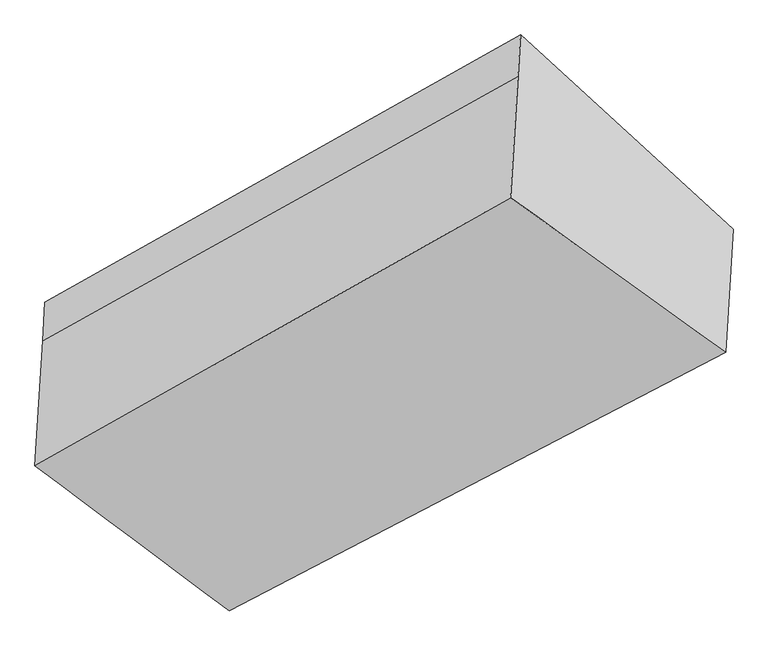
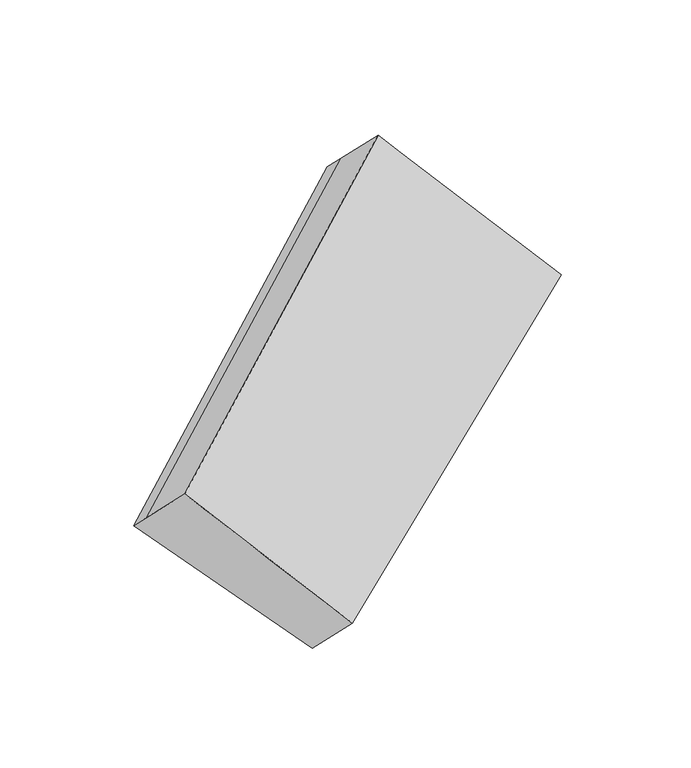
"""IFC4 building model written with IfcOpenShell, lengths in millimetres: proxy geometry."""

from ifc_helpers import new_model, si_unit, frame, origin, place, context, project, spatial, source, transform, mapped, element, save
from ifc_brep_helpers import plane_surface, spline_surface, advanced_brep


def generic_models_2e898269(model_context):
    return source(origin(), model_context, "Body", "AdvancedBrep", [
        advanced_brep(
        [(-3741.4421497, -1508.090219, 1551.9412629), (-3748.0620332, -1615.8654416, 1656.0598421), (-2419.9457895, -877.2034311, 2504.4686291), (-2412.8845805, -762.2431936, 2393.4088113), (-3204.4533092, -2009.263283, 1067.3088814), (-1819.4776571, -1305.0983551, 1869.2175324), (-3226.6466485, -2370.5826464, 1416.3692485), (-1840.6120375, -1649.1773062, 2201.622427), (-3769.557256, -1965.8190972, 1994.1401218), (-2440.7922666, -1216.5951621, 2832.3453337)],
        [
            (0, 1),
            (1, 2),
            (2, 3),
            (3, 0),
            (4, 0),
            (0, 5),
            (5, 4),
            (6, 4),
            (5, 7),
            (7, 6),
            (8, 6),
            (7, 9),
            (9, 8),
            (1, 8),
            (9, 2),
            (5, 3),
        ],
        [
            plane_surface(frame((-3744.7520914, -1561.9778303, 1604.0005525), z_axis=(-0.6448211475002281, 0.5511773404095873, 0.5295368043446113), x_axis=(-0.04413255648290255, -0.7185014840551847, 0.6941238613308008))),
            plane_surface(frame((-3472.9477294, -1758.676751, 1309.6250722), z_axis=(0.0394076899468539, 0.7161041934745317, -0.6968800600255708), x_axis=(-0.6102145914698849, 0.5695148454451125, 0.5507186152427309))),
            plane_surface(frame((-3215.5499788, -2189.9229647, 1241.839065), z_axis=(0.6090947329029084, -0.5700792150574997, -0.5513740063780302), x_axis=(0.044132556482925994, 0.7185014840551962, -0.6941238613307874))),
            spline_surface(1, 1, [[(-3769.557256, -1965.8190972, 1994.1401218), (-2440.7922666, -1216.5951621, 2832.3453337)], [(-3226.6466485, -2370.5826464, 1416.3692485), (-1840.6120375, -1649.1773062, 2201.622427)]], [2, 2], [2, 2], [0.0, 1.0], [0.0, 1.0]),
            plane_surface(frame((-3758.8096446, -1790.8422694, 1825.0999819), z_axis=(-0.6448211475002281, 0.5511773404095884, 0.5295368043446099), x_axis=(-0.04413255648293929, -0.7185014840552035, 0.6941238613307789))),
            plane_surface(frame((-2128.4416354, -1233.2785043, 2324.1485261), z_axis=(0.7848343048697579, 0.40496250394404965, 0.46908473040482773), x_axis=(0.044132556482925994, 0.7185014840551962, -0.6941238613307874))),
            plane_surface(frame((-3485.5248408, -1963.4388114, 1507.4398786), z_axis=(-0.7910059859542925, -0.3992598880780622, -0.4635742356477232), x_axis=(0.044132556482930504, 0.7185014840551992, -0.6941238613307839))),
            plane_surface(frame((-3741.4421497, -1508.090219, 1551.9412629), z_axis=(0.0394204087088289, 0.7160575521023325, -0.696927265540992), x_axis=(-0.618132211875328, 0.5654741265609323, 0.5460325822075688))),
        ],
        [
            (0, [[1, 2, 3, 4]]),
            (1, [[5, 6, 7]]),
            (2, [[8, -7, 9, 10]]),
            (3, [[11, -10, 12, 13]]),
            (4, [[14, -13, 15, -2]]),
            (5, [[-9, 16, -3, -15, -12]]),
            (6, [[-1, -5, -8, -11, -14]]),
            (7, [[-16, -6, -4]]),
        ],
    ),
    ])


if __name__ == "__main__":
    model = new_model("IFC4")
    model_context = context("Model", 3, world=origin())
    ifc_project = project(units=[si_unit("LENGTHUNIT", "METRE", prefix="MILLI")], contexts=[model_context])
    site = spatial("IfcSite", under=ifc_project)
    building = spatial("IfcBuilding", under=site)
    placement = place(None, origin())
    generic_models_shape = generic_models_2e898269(model_context)
    element("IfcBuildingElementProxy", 1, Name="Generic Models", at=placement, inside=building, context=model_context, shape_type="MappedRepresentation", body=[
        mapped(generic_models_shape, transform((0.0, 0.0, 0.0), x_axis=(1.0, 0.0, 0.0), y_axis=(0.0, 1.0, 0.0), z_axis=(0.0, 0.0, 1.0))),
    ])
    save(model, "model.ifc")
